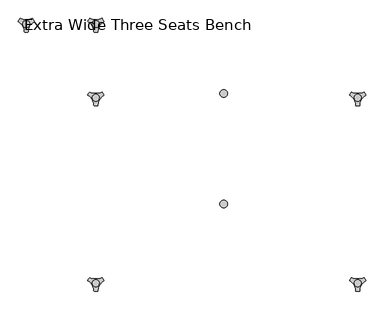
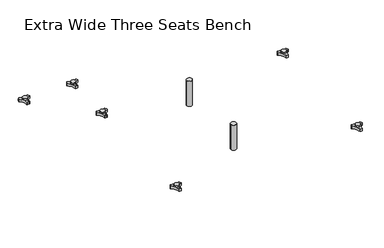
"""IFC4 building model written with IfcOpenShell, lengths in millimetres: furniture geometry, Extra Wide Three Seats Bench."""

from ifc_helpers import new_model, si_unit, point, frame, frame_2d, origin, origin_with_axes, place, context, project, spatial, polyline, circle_curve, trimmed, segment, composite_curve, outline, extrude, source, transform, mapped, element, save
from ifc_brep_helpers import plane_surface, cylinder_surface, revolved_surface, advanced_brep


def extra_wide_three_seats_bench_09150e93(model_context):
    return source(origin(), model_context, "Body", "SolidModel", [
        advanced_brep(
        [(191.4388063, -130.2721038, 98.611642), (187.2162181, -137.585841, 98.611642), (187.614167, -138.7518724, 98.611642), (203.4334377, -166.1516574, 98.611642), (204.2442712, -167.0792988, 98.611642), (212.6894498, -167.0792988, 98.611642), (213.493978, -165.9895174, 98.611642), (229.5962311, -138.4877144, 98.611642), (229.7175081, -137.5858427, 98.611642), (225.4949182, -130.2721023, 98.611642), (224.2861347, -130.0337175, 98.611642), (192.6475863, -130.0337175, 98.611642), (217.839737, -145.1926245, 98.611642), (198.9347251, -145.1926245, 98.611642), (191.4388063, -130.2721038, 88.6531552), (192.6475863, -130.0337175, 88.6531552), (224.2861347, -130.0337175, 88.6531552), (225.4949182, -130.2721023, 88.6531552), (229.7175081, -137.5858427, 88.6531552), (229.5962311, -138.4877144, 88.6531552), (213.493978, -165.9895174, 88.6531552), (212.6894498, -167.0792988, 88.6531552), (204.2442712, -167.0792988, 88.6531552), (203.4334377, -166.1516574, 88.6531552), (187.614167, -138.7518724, 88.6531552), (187.2162181, -137.585841, 88.6531552), (198.9347251, -145.1926245, 103.6569541), (217.839737, -145.1926245, 103.6569541)],
        [
            (0, 1, circle_curve(frame((209.6982944, -145.690049, 98.611642), z_axis=(0.0, 0.0, 1.0), x_axis=(1.0, 0.0, 0.0)), 23.8981576)),
            (1, 2, circle_curve(frame((188.1437767, -137.920202, 98.611642), z_axis=(0.0, 0.0, 1.0), x_axis=(1.0, 0.0, 0.0)), 0.9859828)),
            (2, 3, circle_curve(frame((169.218797, -167.6389644, 98.611642), z_axis=(0.0, 0.0, -1.0), x_axis=(1.0, 0.0, 0.0)), 34.246952)),
            (3, 4, circle_curve(frame((204.4184811, -166.1088376, 98.611642), z_axis=(0.0, 0.0, 1.0), x_axis=(1.0, 0.0, 0.0)), 0.9859736)),
            (4, 5, circle_curve(frame((208.4668605, -143.5567534, 98.611642), z_axis=(0.0, 0.0, 1.0), x_axis=(1.0, 0.0, 0.0)), 23.8985439)),
            (5, 6, circle_curve(frame((212.5152379, -166.1088262, 98.611642), z_axis=(0.0, 0.0, 1.0), x_axis=(1.0, 0.0, 0.0)), 0.9859852)),
            (6, 7, circle_curve(frame((247.7156517, -167.5614211, 98.611642), z_axis=(0.0, 0.0, -1.0), x_axis=(1.0, 0.0, 0.0)), 34.2577557)),
            (7, 8, circle_curve(frame((228.7899467, -137.9202011, 98.611642), z_axis=(0.0, 0.0, 1.0), x_axis=(1.0, 0.0, 0.0)), 0.9859847)),
            (8, 9, circle_curve(frame((207.2358178, -145.6898258, 98.611642), z_axis=(0.0, 0.0, 1.0), x_axis=(1.0, 0.0, 0.0)), 23.8977184)),
            (9, 10, circle_curve(frame((224.7415719, -130.9082171, 98.611642), z_axis=(0.0, 0.0, 1.0), x_axis=(1.0, 0.0, 0.0)), 0.9859881)),
            (10, 11, circle_curve(frame((208.4668605, -99.6586209, 98.611642), z_axis=(0.0, 0.0, -1.0), x_axis=(1.0, 0.0, 0.0)), 34.2475683)),
            (11, 0, circle_curve(frame((192.1921512, -130.9082131, 98.611642), z_axis=(0.0, 0.0, 1.0), x_axis=(1.0, 0.0, 0.0)), 0.9859835)),
            (12, 13, circle_curve(frame((208.3872311, -145.1926245, 98.611642), z_axis=(0.0, 0.0, -1.0), x_axis=(1.0, 0.0, 0.0)), 9.452506)),
            (13, 12, circle_curve(frame((208.3872311, -145.1926245, 98.611642), z_axis=(0.0, 0.0, -1.0), x_axis=(1.0, 0.0, 0.0)), 9.452506)),
            (14, 15, circle_curve(frame((192.1921512, -130.9082131, 88.6531552), z_axis=(0.0, 0.0, -1.0), x_axis=(1.0, 0.0, 0.0)), 0.9859835)),
            (15, 16, circle_curve(frame((208.4668605, -99.6586209, 88.6531552), z_axis=(0.0, 0.0, 1.0), x_axis=(1.0, 0.0, 0.0)), 34.2475683)),
            (16, 17, circle_curve(frame((224.7415719, -130.9082171, 88.6531552), z_axis=(0.0, 0.0, -1.0), x_axis=(1.0, 0.0, 0.0)), 0.9859881)),
            (17, 18, circle_curve(frame((207.2358178, -145.6898258, 88.6531552), z_axis=(0.0, 0.0, -1.0), x_axis=(1.0, 0.0, 0.0)), 23.8977184)),
            (18, 19, circle_curve(frame((228.7899467, -137.9202011, 88.6531552), z_axis=(0.0, 0.0, -1.0), x_axis=(1.0, 0.0, 0.0)), 0.9859847)),
            (19, 20, circle_curve(frame((247.7156517, -167.5614211, 88.6531552), z_axis=(0.0, 0.0, 1.0), x_axis=(1.0, 0.0, 0.0)), 34.2577557)),
            (20, 21, circle_curve(frame((212.5152379, -166.1088262, 88.6531552), z_axis=(0.0, 0.0, -1.0), x_axis=(1.0, 0.0, 0.0)), 0.9859852)),
            (21, 22, circle_curve(frame((208.4668605, -143.5567534, 88.6531552), z_axis=(0.0, 0.0, -1.0), x_axis=(1.0, 0.0, 0.0)), 23.8985439)),
            (22, 23, circle_curve(frame((204.4184811, -166.1088376, 88.6531552), z_axis=(0.0, 0.0, -1.0), x_axis=(1.0, 0.0, 0.0)), 0.9859736)),
            (23, 24, circle_curve(frame((169.218797, -167.6389644, 88.6531552), z_axis=(0.0, 0.0, 1.0), x_axis=(1.0, 0.0, 0.0)), 34.246952)),
            (24, 25, circle_curve(frame((188.1437767, -137.920202, 88.6531552), z_axis=(0.0, 0.0, -1.0), x_axis=(1.0, 0.0, 0.0)), 0.9859828)),
            (25, 14, circle_curve(frame((209.6982944, -145.690049, 88.6531552), z_axis=(0.0, 0.0, -1.0), x_axis=(1.0, 0.0, 0.0)), 23.8981576)),
            (26, 27, circle_curve(frame((208.3872311, -145.1926245, 103.6569541), z_axis=(0.0, 0.0, 1.0), x_axis=(1.0, 0.0, 0.0)), 9.452506)),
            (27, 26, circle_curve(frame((208.3872311, -145.1926245, 103.6569541), z_axis=(0.0, 0.0, 1.0), x_axis=(1.0, 0.0, 0.0)), 9.452506)),
            (0, 14),
            (25, 1),
            (24, 2),
            (23, 3),
            (22, 4),
            (21, 5),
            (20, 6),
            (19, 7),
            (18, 8),
            (17, 9),
            (16, 10),
            (15, 11),
            (26, 13),
            (12, 27),
        ],
        [
            plane_surface(frame((233.596452, -145.690049, 98.611642), z_axis=(0.0, 0.0, 1.0), x_axis=(0.0, 1.0, 0.0))),
            plane_surface(frame((233.596452, -145.690049, 88.6531552), z_axis=(0.0, 0.0, -1.0), x_axis=(0.0, -1.0, 0.0))),
            plane_surface(frame((217.839737, -145.1926245, 103.6569541), z_axis=(0.0, 0.0, 1.0), x_axis=(0.0, 1.0, 0.0))),
            cylinder_surface(frame((209.6982944, -145.690049, 88.6531552), z_axis=(0.0, 0.0, 1.0), x_axis=(1.0, 0.0, 0.0)), 23.8981576),
            cylinder_surface(frame((188.1437767, -137.920202, 88.6531552), z_axis=(0.0, 0.0, 1.0), x_axis=(1.0, 0.0, 0.0)), 0.9859828),
            revolved_surface(polyline([(203.465749, -167.6389644, 88.6531552), (203.465749, -167.6389644, 98.611642)]), (169.218797, -167.6389644, 88.6531552), (0.0, 0.0, -1.0)),
            cylinder_surface(frame((204.4184811, -166.1088376, 88.6531552), z_axis=(0.0, 0.0, 1.0), x_axis=(1.0, 0.0, 0.0)), 0.9859736),
            cylinder_surface(frame((208.4668605, -143.5567534, 88.6531552), z_axis=(0.0, 0.0, 1.0), x_axis=(1.0, 0.0, 0.0)), 23.8985439),
            cylinder_surface(frame((212.5152379, -166.1088262, 88.6531552), z_axis=(0.0, 0.0, 1.0), x_axis=(1.0, 0.0, 0.0)), 0.9859852),
            revolved_surface(polyline([(281.9734074, -167.5614211, 88.6531552), (281.9734074, -167.5614211, 98.611642)]), (247.7156517, -167.5614211, 88.6531552), (0.0, 0.0, -1.0)),
            cylinder_surface(frame((228.7899467, -137.9202011, 88.6531552), z_axis=(0.0, 0.0, 1.0), x_axis=(1.0, 0.0, 0.0)), 0.9859847),
            cylinder_surface(frame((207.2358178, -145.6898258, 88.6531552), z_axis=(0.0, 0.0, 1.0), x_axis=(1.0, 0.0, 0.0)), 23.8977184),
            cylinder_surface(frame((224.7415719, -130.9082171, 88.6531552), z_axis=(0.0, 0.0, 1.0), x_axis=(1.0, 0.0, 0.0)), 0.9859881),
            revolved_surface(polyline([(242.7144288, -99.6586209, 88.6531552), (242.7144288, -99.6586209, 98.611642)]), (208.4668605, -99.6586209, 88.6531552), (0.0, 0.0, -1.0)),
            cylinder_surface(frame((192.1921512, -130.9082131, 88.6531552), z_axis=(0.0, 0.0, 1.0), x_axis=(1.0, 0.0, 0.0)), 0.9859835),
            cylinder_surface(frame((208.3872311, -145.1926245, 98.611642), z_axis=(0.0, 0.0, 1.0), x_axis=(1.0, 0.0, 0.0)), 9.452506),
        ],
        [
            (0, [[1, 2, 3, 4, 5, 6, 7, 8, 9, 10, 11, 12], [13, 14]]),
            (1, [[15, 16, 17, 18, 19, 20, 21, 22, 23, 24, 25, 26]]),
            (2, [[27, 28]]),
            (3, [[-1, 29, -26, 30]]),
            (4, [[-2, -30, -25, 31]]),
            (5, [[-3, -31, -24, 32]]),
            (6, [[-4, -32, -23, 33]]),
            (7, [[-5, -33, -22, 34]]),
            (8, [[-6, -34, -21, 35]]),
            (9, [[-7, -35, -20, 36]]),
            (10, [[-8, -36, -19, 37]]),
            (11, [[-9, -37, -18, 38]]),
            (12, [[-10, -38, -17, 39]]),
            (13, [[-11, -39, -16, 40]]),
            (14, [[-12, -40, -15, -29]]),
            (15, [[-27, 41, -13, 42]]),
            (15, [[-28, -42, -14, -41]]),
        ],
    ),
        advanced_brep(
        [(191.4388063, -633.9963447, 98.611642), (187.2162181, -641.3100819, 98.611642), (187.614167, -642.4761133, 98.611642), (203.4334377, -669.8758983, 98.611642), (204.2442712, -670.8035397, 98.611642), (212.6894498, -670.8035397, 98.611642), (213.493978, -669.7137583, 98.611642), (229.5962311, -642.2119553, 98.611642), (229.7175081, -641.3100836, 98.611642), (225.4949182, -633.9963432, 98.611642), (224.2861347, -633.7579584, 98.611642), (192.6475863, -633.7579584, 98.611642), (217.839737, -648.9168654, 98.611642), (198.9347251, -648.9168654, 98.611642), (191.4388063, -633.9963447, 88.6531552), (192.6475863, -633.7579584, 88.6531552), (224.2861347, -633.7579584, 88.6531552), (225.4949182, -633.9963432, 88.6531552), (229.7175081, -641.3100836, 88.6531552), (229.5962311, -642.2119553, 88.6531552), (213.493978, -669.7137583, 88.6531552), (212.6894498, -670.8035397, 88.6531552), (204.2442712, -670.8035397, 88.6531552), (203.4334377, -669.8758983, 88.6531552), (187.614167, -642.4761133, 88.6531552), (187.2162181, -641.3100819, 88.6531552), (198.9347251, -648.9168654, 103.6569541), (217.839737, -648.9168654, 103.6569541)],
        [
            (0, 1, circle_curve(frame((209.6982944, -649.4142898, 98.611642), z_axis=(0.0, 0.0, 1.0), x_axis=(1.0, 0.0, 0.0)), 23.8981576)),
            (1, 2, circle_curve(frame((188.1437767, -641.6444428, 98.611642), z_axis=(0.0, 0.0, 1.0), x_axis=(1.0, 0.0, 0.0)), 0.9859828)),
            (2, 3, circle_curve(frame((169.218797, -671.3632053, 98.611642), z_axis=(0.0, 0.0, -1.0), x_axis=(1.0, 0.0, 0.0)), 34.246952)),
            (3, 4, circle_curve(frame((204.4184811, -669.8330785, 98.611642), z_axis=(0.0, 0.0, 1.0), x_axis=(1.0, 0.0, 0.0)), 0.9859736)),
            (4, 5, circle_curve(frame((208.4668605, -647.2809943, 98.611642), z_axis=(0.0, 0.0, 1.0), x_axis=(1.0, 0.0, 0.0)), 23.8985439)),
            (5, 6, circle_curve(frame((212.5152379, -669.8330671, 98.611642), z_axis=(0.0, 0.0, 1.0), x_axis=(1.0, 0.0, 0.0)), 0.9859852)),
            (6, 7, circle_curve(frame((247.7156517, -671.285662, 98.611642), z_axis=(0.0, 0.0, -1.0), x_axis=(1.0, 0.0, 0.0)), 34.2577557)),
            (7, 8, circle_curve(frame((228.7899467, -641.644442, 98.611642), z_axis=(0.0, 0.0, 1.0), x_axis=(1.0, 0.0, 0.0)), 0.9859847)),
            (8, 9, circle_curve(frame((207.2358178, -649.4140667, 98.611642), z_axis=(0.0, 0.0, 1.0), x_axis=(1.0, 0.0, 0.0)), 23.8977184)),
            (9, 10, circle_curve(frame((224.7415719, -634.632458, 98.611642), z_axis=(0.0, 0.0, 1.0), x_axis=(1.0, 0.0, 0.0)), 0.9859881)),
            (10, 11, circle_curve(frame((208.4668605, -603.3828618, 98.611642), z_axis=(0.0, 0.0, -1.0), x_axis=(1.0, 0.0, 0.0)), 34.2475683)),
            (11, 0, circle_curve(frame((192.1921512, -634.632454, 98.611642), z_axis=(0.0, 0.0, 1.0), x_axis=(1.0, 0.0, 0.0)), 0.9859835)),
            (12, 13, circle_curve(frame((208.3872311, -648.9168654, 98.611642), z_axis=(0.0, 0.0, -1.0), x_axis=(1.0, 0.0, 0.0)), 9.452506)),
            (13, 12, circle_curve(frame((208.3872311, -648.9168654, 98.611642), z_axis=(0.0, 0.0, -1.0), x_axis=(1.0, 0.0, 0.0)), 9.452506)),
            (14, 15, circle_curve(frame((192.1921512, -634.632454, 88.6531552), z_axis=(0.0, 0.0, -1.0), x_axis=(1.0, 0.0, 0.0)), 0.9859835)),
            (15, 16, circle_curve(frame((208.4668605, -603.3828618, 88.6531552), z_axis=(0.0, 0.0, 1.0), x_axis=(1.0, 0.0, 0.0)), 34.2475683)),
            (16, 17, circle_curve(frame((224.7415719, -634.632458, 88.6531552), z_axis=(0.0, 0.0, -1.0), x_axis=(1.0, 0.0, 0.0)), 0.9859881)),
            (17, 18, circle_curve(frame((207.2358178, -649.4140667, 88.6531552), z_axis=(0.0, 0.0, -1.0), x_axis=(1.0, 0.0, 0.0)), 23.8977184)),
            (18, 19, circle_curve(frame((228.7899467, -641.644442, 88.6531552), z_axis=(0.0, 0.0, -1.0), x_axis=(1.0, 0.0, 0.0)), 0.9859847)),
            (19, 20, circle_curve(frame((247.7156517, -671.285662, 88.6531552), z_axis=(0.0, 0.0, 1.0), x_axis=(1.0, 0.0, 0.0)), 34.2577557)),
            (20, 21, circle_curve(frame((212.5152379, -669.8330671, 88.6531552), z_axis=(0.0, 0.0, -1.0), x_axis=(1.0, 0.0, 0.0)), 0.9859852)),
            (21, 22, circle_curve(frame((208.4668605, -647.2809943, 88.6531552), z_axis=(0.0, 0.0, -1.0), x_axis=(1.0, 0.0, 0.0)), 23.8985439)),
            (22, 23, circle_curve(frame((204.4184811, -669.8330785, 88.6531552), z_axis=(0.0, 0.0, -1.0), x_axis=(1.0, 0.0, 0.0)), 0.9859736)),
            (23, 24, circle_curve(frame((169.218797, -671.3632053, 88.6531552), z_axis=(0.0, 0.0, 1.0), x_axis=(1.0, 0.0, 0.0)), 34.246952)),
            (24, 25, circle_curve(frame((188.1437767, -641.6444428, 88.6531552), z_axis=(0.0, 0.0, -1.0), x_axis=(1.0, 0.0, 0.0)), 0.9859828)),
            (25, 14, circle_curve(frame((209.6982944, -649.4142898, 88.6531552), z_axis=(0.0, 0.0, -1.0), x_axis=(1.0, 0.0, 0.0)), 23.8981576)),
            (26, 27, circle_curve(frame((208.3872311, -648.9168654, 103.6569541), z_axis=(0.0, 0.0, 1.0), x_axis=(1.0, 0.0, 0.0)), 9.452506)),
            (27, 26, circle_curve(frame((208.3872311, -648.9168654, 103.6569541), z_axis=(0.0, 0.0, 1.0), x_axis=(1.0, 0.0, 0.0)), 9.452506)),
            (0, 14),
            (25, 1),
            (24, 2),
            (23, 3),
            (22, 4),
            (21, 5),
            (20, 6),
            (19, 7),
            (18, 8),
            (17, 9),
            (16, 10),
            (15, 11),
            (26, 13),
            (12, 27),
        ],
        [
            plane_surface(frame((233.596452, -649.4142898, 98.611642), z_axis=(0.0, 0.0, 1.0), x_axis=(0.0, 1.0, 0.0))),
            plane_surface(frame((233.596452, -649.4142898, 88.6531552), z_axis=(0.0, 0.0, -1.0), x_axis=(0.0, -1.0, 0.0))),
            plane_surface(frame((217.839737, -648.9168654, 103.6569541), z_axis=(0.0, 0.0, 1.0), x_axis=(0.0, 1.0, 0.0))),
            cylinder_surface(frame((209.6982944, -649.4142898, 88.6531552), z_axis=(0.0, 0.0, 1.0), x_axis=(1.0, 0.0, 0.0)), 23.8981576),
            cylinder_surface(frame((188.1437767, -641.6444428, 88.6531552), z_axis=(0.0, 0.0, 1.0), x_axis=(1.0, 0.0, 0.0)), 0.9859828),
            revolved_surface(polyline([(203.465749, -671.3632053, 88.6531552), (203.465749, -671.3632053, 98.611642)]), (169.218797, -671.3632053, 88.6531552), (0.0, 0.0, -1.0)),
            cylinder_surface(frame((204.4184811, -669.8330785, 88.6531552), z_axis=(0.0, 0.0, 1.0), x_axis=(1.0, 0.0, 0.0)), 0.9859736),
            cylinder_surface(frame((208.4668605, -647.2809943, 88.6531552), z_axis=(0.0, 0.0, 1.0), x_axis=(1.0, 0.0, 0.0)), 23.8985439),
            cylinder_surface(frame((212.5152379, -669.8330671, 88.6531552), z_axis=(0.0, 0.0, 1.0), x_axis=(1.0, 0.0, 0.0)), 0.9859852),
            revolved_surface(polyline([(281.9734074, -671.285662, 88.6531552), (281.9734074, -671.285662, 98.611642)]), (247.7156517, -671.285662, 88.6531552), (0.0, 0.0, -1.0)),
            cylinder_surface(frame((228.7899467, -641.644442, 88.6531552), z_axis=(0.0, 0.0, 1.0), x_axis=(1.0, 0.0, 0.0)), 0.9859847),
            cylinder_surface(frame((207.2358178, -649.4140667, 88.6531552), z_axis=(0.0, 0.0, 1.0), x_axis=(1.0, 0.0, 0.0)), 23.8977184),
            cylinder_surface(frame((224.7415719, -634.632458, 88.6531552), z_axis=(0.0, 0.0, 1.0), x_axis=(1.0, 0.0, 0.0)), 0.9859881),
            revolved_surface(polyline([(242.7144288, -603.3828618, 88.6531552), (242.7144288, -603.3828618, 98.611642)]), (208.4668605, -603.3828618, 88.6531552), (0.0, 0.0, -1.0)),
            cylinder_surface(frame((192.1921512, -634.632454, 88.6531552), z_axis=(0.0, 0.0, 1.0), x_axis=(1.0, 0.0, 0.0)), 0.9859835),
            cylinder_surface(frame((208.3872311, -648.9168654, 98.611642), z_axis=(0.0, 0.0, 1.0), x_axis=(1.0, 0.0, 0.0)), 9.452506),
        ],
        [
            (0, [[1, 2, 3, 4, 5, 6, 7, 8, 9, 10, 11, 12], [13, 14]]),
            (1, [[15, 16, 17, 18, 19, 20, 21, 22, 23, 24, 25, 26]]),
            (2, [[27, 28]]),
            (3, [[-1, 29, -26, 30]]),
            (4, [[-2, -30, -25, 31]]),
            (5, [[-3, -31, -24, 32]]),
            (6, [[-4, -32, -23, 33]]),
            (7, [[-5, -33, -22, 34]]),
            (8, [[-6, -34, -21, 35]]),
            (9, [[-7, -35, -20, 36]]),
            (10, [[-8, -36, -19, 37]]),
            (11, [[-9, -37, -18, 38]]),
            (12, [[-10, -38, -17, 39]]),
            (13, [[-11, -39, -16, 40]]),
            (14, [[-12, -40, -15, -29]]),
            (15, [[-27, 41, -13, 42]]),
            (15, [[-28, -42, -14, -41]]),
        ],
    ),
        advanced_brep(
        [(-519.7611937, -633.9963447, 98.611642), (-523.9837819, -641.3100819, 98.611642), (-523.585833, -642.4761133, 98.611642), (-507.7665623, -669.8758983, 98.611642), (-506.9557288, -670.8035397, 98.611642), (-498.5105502, -670.8035397, 98.611642), (-497.706022, -669.7137583, 98.611642), (-481.6037689, -642.2119553, 98.611642), (-481.4824919, -641.3100836, 98.611642), (-485.7050818, -633.9963432, 98.611642), (-486.9138653, -633.7579584, 98.611642), (-518.5524137, -633.7579584, 98.611642), (-493.360263, -648.9168654, 98.611642), (-512.2652749, -648.9168654, 98.611642), (-519.7611937, -633.9963447, 88.6531552), (-518.5524137, -633.7579584, 88.6531552), (-486.9138653, -633.7579584, 88.6531552), (-485.7050818, -633.9963432, 88.6531552), (-481.4824919, -641.3100836, 88.6531552), (-481.6037689, -642.2119553, 88.6531552), (-497.706022, -669.7137583, 88.6531552), (-498.5105502, -670.8035397, 88.6531552), (-506.9557288, -670.8035397, 88.6531552), (-507.7665623, -669.8758983, 88.6531552), (-523.585833, -642.4761133, 88.6531552), (-523.9837819, -641.3100819, 88.6531552), (-512.2652749, -648.9168654, 103.6569541), (-493.360263, -648.9168654, 103.6569541)],
        [
            (0, 1, circle_curve(frame((-501.5017056, -649.4142898, 98.611642), z_axis=(0.0, 0.0, 1.0), x_axis=(1.0, 0.0, 0.0)), 23.8981576)),
            (1, 2, circle_curve(frame((-523.0562233, -641.6444428, 98.611642), z_axis=(0.0, 0.0, 1.0), x_axis=(1.0, 0.0, 0.0)), 0.9859828)),
            (2, 3, circle_curve(frame((-541.981203, -671.3632053, 98.611642), z_axis=(0.0, 0.0, -1.0), x_axis=(1.0, 0.0, 0.0)), 34.246952)),
            (3, 4, circle_curve(frame((-506.7815189, -669.8330785, 98.611642), z_axis=(0.0, 0.0, 1.0), x_axis=(1.0, 0.0, 0.0)), 0.9859736)),
            (4, 5, circle_curve(frame((-502.7331395, -647.2809943, 98.611642), z_axis=(0.0, 0.0, 1.0), x_axis=(1.0, 0.0, 0.0)), 23.8985439)),
            (5, 6, circle_curve(frame((-498.6847621, -669.8330671, 98.611642), z_axis=(0.0, 0.0, 1.0), x_axis=(1.0, 0.0, 0.0)), 0.9859852)),
            (6, 7, circle_curve(frame((-463.4843483, -671.285662, 98.611642), z_axis=(0.0, 0.0, -1.0), x_axis=(1.0, 0.0, 0.0)), 34.2577557)),
            (7, 8, circle_curve(frame((-482.4100533, -641.644442, 98.611642), z_axis=(0.0, 0.0, 1.0), x_axis=(1.0, 0.0, 0.0)), 0.9859847)),
            (8, 9, circle_curve(frame((-503.9641822, -649.4140667, 98.611642), z_axis=(0.0, 0.0, 1.0), x_axis=(1.0, 0.0, 0.0)), 23.8977184)),
            (9, 10, circle_curve(frame((-486.4584281, -634.632458, 98.611642), z_axis=(0.0, 0.0, 1.0), x_axis=(1.0, 0.0, 0.0)), 0.9859881)),
            (10, 11, circle_curve(frame((-502.7331395, -603.3828618, 98.611642), z_axis=(0.0, 0.0, -1.0), x_axis=(1.0, 0.0, 0.0)), 34.2475683)),
            (11, 0, circle_curve(frame((-519.0078488, -634.632454, 98.611642), z_axis=(0.0, 0.0, 1.0), x_axis=(1.0, 0.0, 0.0)), 0.9859835)),
            (12, 13, circle_curve(frame((-502.8127689, -648.9168654, 98.611642), z_axis=(0.0, 0.0, -1.0), x_axis=(1.0, 0.0, 0.0)), 9.452506)),
            (13, 12, circle_curve(frame((-502.8127689, -648.9168654, 98.611642), z_axis=(0.0, 0.0, -1.0), x_axis=(1.0, 0.0, 0.0)), 9.452506)),
            (14, 15, circle_curve(frame((-519.0078488, -634.632454, 88.6531552), z_axis=(0.0, 0.0, -1.0), x_axis=(1.0, 0.0, 0.0)), 0.9859835)),
            (15, 16, circle_curve(frame((-502.7331395, -603.3828618, 88.6531552), z_axis=(0.0, 0.0, 1.0), x_axis=(1.0, 0.0, 0.0)), 34.2475683)),
            (16, 17, circle_curve(frame((-486.4584281, -634.632458, 88.6531552), z_axis=(0.0, 0.0, -1.0), x_axis=(1.0, 0.0, 0.0)), 0.9859881)),
            (17, 18, circle_curve(frame((-503.9641822, -649.4140667, 88.6531552), z_axis=(0.0, 0.0, -1.0), x_axis=(1.0, 0.0, 0.0)), 23.8977184)),
            (18, 19, circle_curve(frame((-482.4100533, -641.644442, 88.6531552), z_axis=(0.0, 0.0, -1.0), x_axis=(1.0, 0.0, 0.0)), 0.9859847)),
            (19, 20, circle_curve(frame((-463.4843483, -671.285662, 88.6531552), z_axis=(0.0, 0.0, 1.0), x_axis=(1.0, 0.0, 0.0)), 34.2577557)),
            (20, 21, circle_curve(frame((-498.6847621, -669.8330671, 88.6531552), z_axis=(0.0, 0.0, -1.0), x_axis=(1.0, 0.0, 0.0)), 0.9859852)),
            (21, 22, circle_curve(frame((-502.7331395, -647.2809943, 88.6531552), z_axis=(0.0, 0.0, -1.0), x_axis=(1.0, 0.0, 0.0)), 23.8985439)),
            (22, 23, circle_curve(frame((-506.7815189, -669.8330785, 88.6531552), z_axis=(0.0, 0.0, -1.0), x_axis=(1.0, 0.0, 0.0)), 0.9859736)),
            (23, 24, circle_curve(frame((-541.981203, -671.3632053, 88.6531552), z_axis=(0.0, 0.0, 1.0), x_axis=(1.0, 0.0, 0.0)), 34.246952)),
            (24, 25, circle_curve(frame((-523.0562233, -641.6444428, 88.6531552), z_axis=(0.0, 0.0, -1.0), x_axis=(1.0, 0.0, 0.0)), 0.9859828)),
            (25, 14, circle_curve(frame((-501.5017056, -649.4142898, 88.6531552), z_axis=(0.0, 0.0, -1.0), x_axis=(1.0, 0.0, 0.0)), 23.8981576)),
            (26, 27, circle_curve(frame((-502.8127689, -648.9168654, 103.6569541), z_axis=(0.0, 0.0, 1.0), x_axis=(1.0, 0.0, 0.0)), 9.452506)),
            (27, 26, circle_curve(frame((-502.8127689, -648.9168654, 103.6569541), z_axis=(0.0, 0.0, 1.0), x_axis=(1.0, 0.0, 0.0)), 9.452506)),
            (0, 14),
            (25, 1),
            (24, 2),
            (23, 3),
            (22, 4),
            (21, 5),
            (20, 6),
            (19, 7),
            (18, 8),
            (17, 9),
            (16, 10),
            (15, 11),
            (26, 13),
            (12, 27),
        ],
        [
            plane_surface(frame((-477.603548, -649.4142898, 98.611642), z_axis=(0.0, 0.0, 1.0), x_axis=(0.0, 1.0, 0.0))),
            plane_surface(frame((-477.603548, -649.4142898, 88.6531552), z_axis=(0.0, 0.0, -1.0), x_axis=(0.0, -1.0, 0.0))),
            plane_surface(frame((-493.360263, -648.9168654, 103.6569541), z_axis=(0.0, 0.0, 1.0), x_axis=(0.0, 1.0, 0.0))),
            cylinder_surface(frame((-501.5017056, -649.4142898, 88.6531552), z_axis=(0.0, 0.0, 1.0), x_axis=(1.0, 0.0, 0.0)), 23.8981576),
            cylinder_surface(frame((-523.0562233, -641.6444428, 88.6531552), z_axis=(0.0, 0.0, 1.0), x_axis=(1.0, 0.0, 0.0)), 0.9859828),
            revolved_surface(polyline([(-507.73425100000003, -671.3632053, 88.6531552), (-507.73425100000003, -671.3632053, 98.611642)]), (-541.981203, -671.3632053, 88.6531552), (0.0, 0.0, -1.0)),
            cylinder_surface(frame((-506.7815189, -669.8330785, 88.6531552), z_axis=(0.0, 0.0, 1.0), x_axis=(1.0, 0.0, 0.0)), 0.9859736),
            cylinder_surface(frame((-502.7331395, -647.2809943, 88.6531552), z_axis=(0.0, 0.0, 1.0), x_axis=(1.0, 0.0, 0.0)), 23.8985439),
            cylinder_surface(frame((-498.6847621, -669.8330671, 88.6531552), z_axis=(0.0, 0.0, 1.0), x_axis=(1.0, 0.0, 0.0)), 0.9859852),
            revolved_surface(polyline([(-429.2265926, -671.285662, 88.6531552), (-429.2265926, -671.285662, 98.611642)]), (-463.4843483, -671.285662, 88.6531552), (0.0, 0.0, -1.0)),
            cylinder_surface(frame((-482.4100533, -641.644442, 88.6531552), z_axis=(0.0, 0.0, 1.0), x_axis=(1.0, 0.0, 0.0)), 0.9859847),
            cylinder_surface(frame((-503.9641822, -649.4140667, 88.6531552), z_axis=(0.0, 0.0, 1.0), x_axis=(1.0, 0.0, 0.0)), 23.8977184),
            cylinder_surface(frame((-486.4584281, -634.632458, 88.6531552), z_axis=(0.0, 0.0, 1.0), x_axis=(1.0, 0.0, 0.0)), 0.9859881),
            revolved_surface(polyline([(-468.4855712, -603.3828618, 88.6531552), (-468.4855712, -603.3828618, 98.611642)]), (-502.7331395, -603.3828618, 88.6531552), (0.0, 0.0, -1.0)),
            cylinder_surface(frame((-519.0078488, -634.632454, 88.6531552), z_axis=(0.0, 0.0, 1.0), x_axis=(1.0, 0.0, 0.0)), 0.9859835),
            cylinder_surface(frame((-502.8127689, -648.9168654, 98.611642), z_axis=(0.0, 0.0, 1.0), x_axis=(1.0, 0.0, 0.0)), 9.452506),
        ],
        [
            (0, [[1, 2, 3, 4, 5, 6, 7, 8, 9, 10, 11, 12], [13, 14]]),
            (1, [[15, 16, 17, 18, 19, 20, 21, 22, 23, 24, 25, 26]]),
            (2, [[27, 28]]),
            (3, [[-1, 29, -26, 30]]),
            (4, [[-2, -30, -25, 31]]),
            (5, [[-3, -31, -24, 32]]),
            (6, [[-4, -32, -23, 33]]),
            (7, [[-5, -33, -22, 34]]),
            (8, [[-6, -34, -21, 35]]),
            (9, [[-7, -35, -20, 36]]),
            (10, [[-8, -36, -19, 37]]),
            (11, [[-9, -37, -18, 38]]),
            (12, [[-10, -38, -17, 39]]),
            (13, [[-11, -39, -16, 40]]),
            (14, [[-12, -40, -15, -29]]),
            (15, [[-27, 41, -13, 42]]),
            (15, [[-28, -42, -14, -41]]),
        ],
    ),
        advanced_brep(
        [(-519.7611937, -130.2721038, 98.611642), (-523.9837819, -137.585841, 98.611642), (-523.585833, -138.7518724, 98.611642), (-507.7665623, -166.1516574, 98.611642), (-506.9557288, -167.0792988, 98.611642), (-498.5105502, -167.0792988, 98.611642), (-497.706022, -165.9895174, 98.611642), (-481.6037689, -138.4877144, 98.611642), (-481.4824919, -137.5858427, 98.611642), (-485.7050818, -130.2721023, 98.611642), (-486.9138653, -130.0337175, 98.611642), (-518.5524137, -130.0337175, 98.611642), (-493.360263, -145.1926245, 98.611642), (-512.2652749, -145.1926245, 98.611642), (-519.7611937, -130.2721038, 88.6531552), (-518.5524137, -130.0337175, 88.6531552), (-486.9138653, -130.0337175, 88.6531552), (-485.7050818, -130.2721023, 88.6531552), (-481.4824919, -137.5858427, 88.6531552), (-481.6037689, -138.4877144, 88.6531552), (-497.706022, -165.9895174, 88.6531552), (-498.5105502, -167.0792988, 88.6531552), (-506.9557288, -167.0792988, 88.6531552), (-507.7665623, -166.1516574, 88.6531552), (-523.585833, -138.7518724, 88.6531552), (-523.9837819, -137.585841, 88.6531552), (-512.2652749, -145.1926245, 103.6569541), (-493.360263, -145.1926245, 103.6569541)],
        [
            (0, 1, circle_curve(frame((-501.5017056, -145.690049, 98.611642), z_axis=(0.0, 0.0, 1.0), x_axis=(1.0, 0.0, 0.0)), 23.8981576)),
            (1, 2, circle_curve(frame((-523.0562233, -137.920202, 98.611642), z_axis=(0.0, 0.0, 1.0), x_axis=(1.0, 0.0, 0.0)), 0.9859828)),
            (2, 3, circle_curve(frame((-541.981203, -167.6389644, 98.611642), z_axis=(0.0, 0.0, -1.0), x_axis=(1.0, 0.0, 0.0)), 34.246952)),
            (3, 4, circle_curve(frame((-506.7815189, -166.1088376, 98.611642), z_axis=(0.0, 0.0, 1.0), x_axis=(1.0, 0.0, 0.0)), 0.9859736)),
            (4, 5, circle_curve(frame((-502.7331395, -143.5567534, 98.611642), z_axis=(0.0, 0.0, 1.0), x_axis=(1.0, 0.0, 0.0)), 23.8985439)),
            (5, 6, circle_curve(frame((-498.6847621, -166.1088262, 98.611642), z_axis=(0.0, 0.0, 1.0), x_axis=(1.0, 0.0, 0.0)), 0.9859852)),
            (6, 7, circle_curve(frame((-463.4843483, -167.5614211, 98.611642), z_axis=(0.0, 0.0, -1.0), x_axis=(1.0, 0.0, 0.0)), 34.2577557)),
            (7, 8, circle_curve(frame((-482.4100533, -137.9202011, 98.611642), z_axis=(0.0, 0.0, 1.0), x_axis=(1.0, 0.0, 0.0)), 0.9859847)),
            (8, 9, circle_curve(frame((-503.9641822, -145.6898258, 98.611642), z_axis=(0.0, 0.0, 1.0), x_axis=(1.0, 0.0, 0.0)), 23.8977184)),
            (9, 10, circle_curve(frame((-486.4584281, -130.9082171, 98.611642), z_axis=(0.0, 0.0, 1.0), x_axis=(1.0, 0.0, 0.0)), 0.9859881)),
            (10, 11, circle_curve(frame((-502.7331395, -99.6586209, 98.611642), z_axis=(0.0, 0.0, -1.0), x_axis=(1.0, 0.0, 0.0)), 34.2475683)),
            (11, 0, circle_curve(frame((-519.0078488, -130.9082131, 98.611642), z_axis=(0.0, 0.0, 1.0), x_axis=(1.0, 0.0, 0.0)), 0.9859835)),
            (12, 13, circle_curve(frame((-502.8127689, -145.1926245, 98.611642), z_axis=(0.0, 0.0, -1.0), x_axis=(1.0, 0.0, 0.0)), 9.452506)),
            (13, 12, circle_curve(frame((-502.8127689, -145.1926245, 98.611642), z_axis=(0.0, 0.0, -1.0), x_axis=(1.0, 0.0, 0.0)), 9.452506)),
            (14, 15, circle_curve(frame((-519.0078488, -130.9082131, 88.6531552), z_axis=(0.0, 0.0, -1.0), x_axis=(1.0, 0.0, 0.0)), 0.9859835)),
            (15, 16, circle_curve(frame((-502.7331395, -99.6586209, 88.6531552), z_axis=(0.0, 0.0, 1.0), x_axis=(1.0, 0.0, 0.0)), 34.2475683)),
            (16, 17, circle_curve(frame((-486.4584281, -130.9082171, 88.6531552), z_axis=(0.0, 0.0, -1.0), x_axis=(1.0, 0.0, 0.0)), 0.9859881)),
            (17, 18, circle_curve(frame((-503.9641822, -145.6898258, 88.6531552), z_axis=(0.0, 0.0, -1.0), x_axis=(1.0, 0.0, 0.0)), 23.8977184)),
            (18, 19, circle_curve(frame((-482.4100533, -137.9202011, 88.6531552), z_axis=(0.0, 0.0, -1.0), x_axis=(1.0, 0.0, 0.0)), 0.9859847)),
            (19, 20, circle_curve(frame((-463.4843483, -167.5614211, 88.6531552), z_axis=(0.0, 0.0, 1.0), x_axis=(1.0, 0.0, 0.0)), 34.2577557)),
            (20, 21, circle_curve(frame((-498.6847621, -166.1088262, 88.6531552), z_axis=(0.0, 0.0, -1.0), x_axis=(1.0, 0.0, 0.0)), 0.9859852)),
            (21, 22, circle_curve(frame((-502.7331395, -143.5567534, 88.6531552), z_axis=(0.0, 0.0, -1.0), x_axis=(1.0, 0.0, 0.0)), 23.8985439)),
            (22, 23, circle_curve(frame((-506.7815189, -166.1088376, 88.6531552), z_axis=(0.0, 0.0, -1.0), x_axis=(1.0, 0.0, 0.0)), 0.9859736)),
            (23, 24, circle_curve(frame((-541.981203, -167.6389644, 88.6531552), z_axis=(0.0, 0.0, 1.0), x_axis=(1.0, 0.0, 0.0)), 34.246952)),
            (24, 25, circle_curve(frame((-523.0562233, -137.920202, 88.6531552), z_axis=(0.0, 0.0, -1.0), x_axis=(1.0, 0.0, 0.0)), 0.9859828)),
            (25, 14, circle_curve(frame((-501.5017056, -145.690049, 88.6531552), z_axis=(0.0, 0.0, -1.0), x_axis=(1.0, 0.0, 0.0)), 23.8981576)),
            (26, 27, circle_curve(frame((-502.8127689, -145.1926245, 103.6569541), z_axis=(0.0, 0.0, 1.0), x_axis=(1.0, 0.0, 0.0)), 9.452506)),
            (27, 26, circle_curve(frame((-502.8127689, -145.1926245, 103.6569541), z_axis=(0.0, 0.0, 1.0), x_axis=(1.0, 0.0, 0.0)), 9.452506)),
            (0, 14),
            (25, 1),
            (24, 2),
            (23, 3),
            (22, 4),
            (21, 5),
            (20, 6),
            (19, 7),
            (18, 8),
            (17, 9),
            (16, 10),
            (15, 11),
            (26, 13),
            (12, 27),
        ],
        [
            plane_surface(frame((-477.603548, -145.690049, 98.611642), z_axis=(0.0, 0.0, 1.0), x_axis=(0.0, 1.0, 0.0))),
            plane_surface(frame((-477.603548, -145.690049, 88.6531552), z_axis=(0.0, 0.0, -1.0), x_axis=(0.0, -1.0, 0.0))),
            plane_surface(frame((-493.360263, -145.1926245, 103.6569541), z_axis=(0.0, 0.0, 1.0), x_axis=(0.0, 1.0, 0.0))),
            cylinder_surface(frame((-501.5017056, -145.690049, 88.6531552), z_axis=(0.0, 0.0, 1.0), x_axis=(1.0, 0.0, 0.0)), 23.8981576),
            cylinder_surface(frame((-523.0562233, -137.920202, 88.6531552), z_axis=(0.0, 0.0, 1.0), x_axis=(1.0, 0.0, 0.0)), 0.9859828),
            revolved_surface(polyline([(-507.73425100000003, -167.6389644, 88.6531552), (-507.73425100000003, -167.6389644, 98.611642)]), (-541.981203, -167.6389644, 88.6531552), (0.0, 0.0, -1.0)),
            cylinder_surface(frame((-506.7815189, -166.1088376, 88.6531552), z_axis=(0.0, 0.0, 1.0), x_axis=(1.0, 0.0, 0.0)), 0.9859736),
            cylinder_surface(frame((-502.7331395, -143.5567534, 88.6531552), z_axis=(0.0, 0.0, 1.0), x_axis=(1.0, 0.0, 0.0)), 23.8985439),
            cylinder_surface(frame((-498.6847621, -166.1088262, 88.6531552), z_axis=(0.0, 0.0, 1.0), x_axis=(1.0, 0.0, 0.0)), 0.9859852),
            revolved_surface(polyline([(-429.2265926, -167.5614211, 88.6531552), (-429.2265926, -167.5614211, 98.611642)]), (-463.4843483, -167.5614211, 88.6531552), (0.0, 0.0, -1.0)),
            cylinder_surface(frame((-482.4100533, -137.9202011, 88.6531552), z_axis=(0.0, 0.0, 1.0), x_axis=(1.0, 0.0, 0.0)), 0.9859847),
            cylinder_surface(frame((-503.9641822, -145.6898258, 88.6531552), z_axis=(0.0, 0.0, 1.0), x_axis=(1.0, 0.0, 0.0)), 23.8977184),
            cylinder_surface(frame((-486.4584281, -130.9082171, 88.6531552), z_axis=(0.0, 0.0, 1.0), x_axis=(1.0, 0.0, 0.0)), 0.9859881),
            revolved_surface(polyline([(-468.4855712, -99.6586209, 88.6531552), (-468.4855712, -99.6586209, 98.611642)]), (-502.7331395, -99.6586209, 88.6531552), (0.0, 0.0, -1.0)),
            cylinder_surface(frame((-519.0078488, -130.9082131, 88.6531552), z_axis=(0.0, 0.0, 1.0), x_axis=(1.0, 0.0, 0.0)), 0.9859835),
            cylinder_surface(frame((-502.8127689, -145.1926245, 98.611642), z_axis=(0.0, 0.0, 1.0), x_axis=(1.0, 0.0, 0.0)), 9.452506),
        ],
        [
            (0, [[1, 2, 3, 4, 5, 6, 7, 8, 9, 10, 11, 12], [13, 14]]),
            (1, [[15, 16, 17, 18, 19, 20, 21, 22, 23, 24, 25, 26]]),
            (2, [[27, 28]]),
            (3, [[-1, 29, -26, 30]]),
            (4, [[-2, -30, -25, 31]]),
            (5, [[-3, -31, -24, 32]]),
            (6, [[-4, -32, -23, 33]]),
            (7, [[-5, -33, -22, 34]]),
            (8, [[-6, -34, -21, 35]]),
            (9, [[-7, -35, -20, 36]]),
            (10, [[-8, -36, -19, 37]]),
            (11, [[-9, -37, -18, 38]]),
            (12, [[-10, -38, -17, 39]]),
            (13, [[-11, -39, -16, 40]]),
            (14, [[-12, -40, -15, -29]]),
            (15, [[-27, 41, -13, 42]]),
            (15, [[-28, -42, -14, -41]]),
        ],
    ),
        advanced_brep(
        [(-519.7611937, 69.7278978, 98.611642), (-523.9837819, 62.4141605, 98.611642), (-523.585833, 61.2481292, 98.611642), (-507.7665623, 33.8483441, 98.611642), (-506.9557288, 32.9207027, 98.611642), (-498.5105502, 32.9207027, 98.611642), (-497.706022, 34.0104841, 98.611642), (-481.6037689, 61.5122871, 98.611642), (-481.4824919, 62.4141588, 98.611642), (-485.7050818, 69.7278992, 98.611642), (-486.9138653, 69.966284, 98.611642), (-518.5524137, 69.966284, 98.611642), (-493.360263, 54.807377, 98.611642), (-512.2652749, 54.807377, 98.611642), (-519.7611937, 69.7278978, 88.6531552), (-518.5524137, 69.966284, 88.6531552), (-486.9138653, 69.966284, 88.6531552), (-485.7050818, 69.7278992, 88.6531552), (-481.4824919, 62.4141588, 88.6531552), (-481.6037689, 61.5122871, 88.6531552), (-497.706022, 34.0104841, 88.6531552), (-498.5105502, 32.9207027, 88.6531552), (-506.9557288, 32.9207027, 88.6531552), (-507.7665623, 33.8483441, 88.6531552), (-523.585833, 61.2481292, 88.6531552), (-523.9837819, 62.4141605, 88.6531552), (-512.2652749, 54.807377, 103.6569541), (-493.360263, 54.807377, 103.6569541)],
        [
            (0, 1, circle_curve(frame((-501.5017056, 54.3099526, 98.611642), z_axis=(0.0, 0.0, 1.0), x_axis=(1.0, 0.0, 0.0)), 23.8981576)),
            (1, 2, circle_curve(frame((-523.0562233, 62.0797996, 98.611642), z_axis=(0.0, 0.0, 1.0), x_axis=(1.0, 0.0, 0.0)), 0.9859828)),
            (2, 3, circle_curve(frame((-541.981203, 32.3610372, 98.611642), z_axis=(0.0, 0.0, -1.0), x_axis=(1.0, 0.0, 0.0)), 34.246952)),
            (3, 4, circle_curve(frame((-506.7815189, 33.8911639, 98.611642), z_axis=(0.0, 0.0, 1.0), x_axis=(1.0, 0.0, 0.0)), 0.9859736)),
            (4, 5, circle_curve(frame((-502.7331395, 56.4432481, 98.611642), z_axis=(0.0, 0.0, 1.0), x_axis=(1.0, 0.0, 0.0)), 23.8985439)),
            (5, 6, circle_curve(frame((-498.6847621, 33.8911753, 98.611642), z_axis=(0.0, 0.0, 1.0), x_axis=(1.0, 0.0, 0.0)), 0.9859852)),
            (6, 7, circle_curve(frame((-463.4843483, 32.4385804, 98.611642), z_axis=(0.0, 0.0, -1.0), x_axis=(1.0, 0.0, 0.0)), 34.2577557)),
            (7, 8, circle_curve(frame((-482.4100533, 62.0798004, 98.611642), z_axis=(0.0, 0.0, 1.0), x_axis=(1.0, 0.0, 0.0)), 0.9859847)),
            (8, 9, circle_curve(frame((-503.9641822, 54.3101757, 98.611642), z_axis=(0.0, 0.0, 1.0), x_axis=(1.0, 0.0, 0.0)), 23.8977184)),
            (9, 10, circle_curve(frame((-486.4584281, 69.0917844, 98.611642), z_axis=(0.0, 0.0, 1.0), x_axis=(1.0, 0.0, 0.0)), 0.9859881)),
            (10, 11, circle_curve(frame((-502.7331395, 100.3413806, 98.611642), z_axis=(0.0, 0.0, -1.0), x_axis=(1.0, 0.0, 0.0)), 34.2475683)),
            (11, 0, circle_curve(frame((-519.0078488, 69.0917885, 98.611642), z_axis=(0.0, 0.0, 1.0), x_axis=(1.0, 0.0, 0.0)), 0.9859835)),
            (12, 13, circle_curve(frame((-502.8127689, 54.807377, 98.611642), z_axis=(0.0, 0.0, -1.0), x_axis=(1.0, 0.0, 0.0)), 9.452506)),
            (13, 12, circle_curve(frame((-502.8127689, 54.807377, 98.611642), z_axis=(0.0, 0.0, -1.0), x_axis=(1.0, 0.0, 0.0)), 9.452506)),
            (14, 15, circle_curve(frame((-519.0078488, 69.0917885, 88.6531552), z_axis=(0.0, 0.0, -1.0), x_axis=(1.0, 0.0, 0.0)), 0.9859835)),
            (15, 16, circle_curve(frame((-502.7331395, 100.3413806, 88.6531552), z_axis=(0.0, 0.0, 1.0), x_axis=(1.0, 0.0, 0.0)), 34.2475683)),
            (16, 17, circle_curve(frame((-486.4584281, 69.0917844, 88.6531552), z_axis=(0.0, 0.0, -1.0), x_axis=(1.0, 0.0, 0.0)), 0.9859881)),
            (17, 18, circle_curve(frame((-503.9641822, 54.3101757, 88.6531552), z_axis=(0.0, 0.0, -1.0), x_axis=(1.0, 0.0, 0.0)), 23.8977184)),
            (18, 19, circle_curve(frame((-482.4100533, 62.0798004, 88.6531552), z_axis=(0.0, 0.0, -1.0), x_axis=(1.0, 0.0, 0.0)), 0.9859847)),
            (19, 20, circle_curve(frame((-463.4843483, 32.4385804, 88.6531552), z_axis=(0.0, 0.0, 1.0), x_axis=(1.0, 0.0, 0.0)), 34.2577557)),
            (20, 21, circle_curve(frame((-498.6847621, 33.8911753, 88.6531552), z_axis=(0.0, 0.0, -1.0), x_axis=(1.0, 0.0, 0.0)), 0.9859852)),
            (21, 22, circle_curve(frame((-502.7331395, 56.4432481, 88.6531552), z_axis=(0.0, 0.0, -1.0), x_axis=(1.0, 0.0, 0.0)), 23.8985439)),
            (22, 23, circle_curve(frame((-506.7815189, 33.8911639, 88.6531552), z_axis=(0.0, 0.0, -1.0), x_axis=(1.0, 0.0, 0.0)), 0.9859736)),
            (23, 24, circle_curve(frame((-541.981203, 32.3610372, 88.6531552), z_axis=(0.0, 0.0, 1.0), x_axis=(1.0, 0.0, 0.0)), 34.246952)),
            (24, 25, circle_curve(frame((-523.0562233, 62.0797996, 88.6531552), z_axis=(0.0, 0.0, -1.0), x_axis=(1.0, 0.0, 0.0)), 0.9859828)),
            (25, 14, circle_curve(frame((-501.5017056, 54.3099526, 88.6531552), z_axis=(0.0, 0.0, -1.0), x_axis=(1.0, 0.0, 0.0)), 23.8981576)),
            (26, 27, circle_curve(frame((-502.8127689, 54.807377, 103.6569541), z_axis=(0.0, 0.0, 1.0), x_axis=(1.0, 0.0, 0.0)), 9.452506)),
            (27, 26, circle_curve(frame((-502.8127689, 54.807377, 103.6569541), z_axis=(0.0, 0.0, 1.0), x_axis=(1.0, 0.0, 0.0)), 9.452506)),
            (0, 14),
            (25, 1),
            (24, 2),
            (23, 3),
            (22, 4),
            (21, 5),
            (20, 6),
            (19, 7),
            (18, 8),
            (17, 9),
            (16, 10),
            (15, 11),
            (26, 13),
            (12, 27),
        ],
        [
            plane_surface(frame((-477.603548, 54.3099526, 98.611642), z_axis=(0.0, 0.0, 1.0), x_axis=(0.0, 1.0, 0.0))),
            plane_surface(frame((-477.603548, 54.3099526, 88.6531552), z_axis=(0.0, 0.0, -1.0), x_axis=(0.0, -1.0, 0.0))),
            plane_surface(frame((-493.360263, 54.807377, 103.6569541), z_axis=(0.0, 0.0, 1.0), x_axis=(0.0, 1.0, 0.0))),
            cylinder_surface(frame((-501.5017056, 54.3099526, 88.6531552), z_axis=(0.0, 0.0, 1.0), x_axis=(1.0, 0.0, 0.0)), 23.8981576),
            cylinder_surface(frame((-523.0562233, 62.0797996, 88.6531552), z_axis=(0.0, 0.0, 1.0), x_axis=(1.0, 0.0, 0.0)), 0.9859828),
            revolved_surface(polyline([(-507.73425100000003, 32.3610372, 88.6531552), (-507.73425100000003, 32.3610372, 98.611642)]), (-541.981203, 32.3610372, 88.6531552), (0.0, 0.0, -1.0)),
            cylinder_surface(frame((-506.7815189, 33.8911639, 88.6531552), z_axis=(0.0, 0.0, 1.0), x_axis=(1.0, 0.0, 0.0)), 0.9859736),
            cylinder_surface(frame((-502.7331395, 56.4432481, 88.6531552), z_axis=(0.0, 0.0, 1.0), x_axis=(1.0, 0.0, 0.0)), 23.8985439),
            cylinder_surface(frame((-498.6847621, 33.8911753, 88.6531552), z_axis=(0.0, 0.0, 1.0), x_axis=(1.0, 0.0, 0.0)), 0.9859852),
            revolved_surface(polyline([(-429.2265926, 32.4385804, 88.6531552), (-429.2265926, 32.4385804, 98.611642)]), (-463.4843483, 32.4385804, 88.6531552), (0.0, 0.0, -1.0)),
            cylinder_surface(frame((-482.4100533, 62.0798004, 88.6531552), z_axis=(0.0, 0.0, 1.0), x_axis=(1.0, 0.0, 0.0)), 0.9859847),
            cylinder_surface(frame((-503.9641822, 54.3101757, 88.6531552), z_axis=(0.0, 0.0, 1.0), x_axis=(1.0, 0.0, 0.0)), 23.8977184),
            cylinder_surface(frame((-486.4584281, 69.0917844, 88.6531552), z_axis=(0.0, 0.0, 1.0), x_axis=(1.0, 0.0, 0.0)), 0.9859881),
            revolved_surface(polyline([(-468.4855712, 100.3413806, 88.6531552), (-468.4855712, 100.3413806, 98.611642)]), (-502.7331395, 100.3413806, 88.6531552), (0.0, 0.0, -1.0)),
            cylinder_surface(frame((-519.0078488, 69.0917885, 88.6531552), z_axis=(0.0, 0.0, 1.0), x_axis=(1.0, 0.0, 0.0)), 0.9859835),
            cylinder_surface(frame((-502.8127689, 54.807377, 98.611642), z_axis=(0.0, 0.0, 1.0), x_axis=(1.0, 0.0, 0.0)), 9.452506),
        ],
        [
            (0, [[1, 2, 3, 4, 5, 6, 7, 8, 9, 10, 11, 12], [13, 14]]),
            (1, [[15, 16, 17, 18, 19, 20, 21, 22, 23, 24, 25, 26]]),
            (2, [[27, 28]]),
            (3, [[-1, 29, -26, 30]]),
            (4, [[-2, -30, -25, 31]]),
            (5, [[-3, -31, -24, 32]]),
            (6, [[-4, -32, -23, 33]]),
            (7, [[-5, -33, -22, 34]]),
            (8, [[-6, -34, -21, 35]]),
            (9, [[-7, -35, -20, 36]]),
            (10, [[-8, -36, -19, 37]]),
            (11, [[-9, -37, -18, 38]]),
            (12, [[-10, -38, -17, 39]]),
            (13, [[-11, -39, -16, 40]]),
            (14, [[-12, -40, -15, -29]]),
            (15, [[-27, 41, -13, 42]]),
            (15, [[-28, -42, -14, -41]]),
        ],
    ),
        advanced_brep(
        [(-708.6567178, 69.7278978, 98.611642), (-712.879306, 62.4141605, 98.611642), (-712.4813572, 61.2481292, 98.611642), (-696.6620864, 33.8483441, 98.611642), (-695.8512529, 32.9207027, 98.611642), (-687.4060744, 32.9207027, 98.611642), (-686.6015461, 34.0104841, 98.611642), (-670.4992931, 61.5122871, 98.611642), (-670.378016, 62.4141588, 98.611642), (-674.600606, 69.7278992, 98.611642), (-675.8093894, 69.966284, 98.611642), (-707.4479379, 69.966284, 98.611642), (-682.2557871, 54.807377, 98.611642), (-701.160799, 54.807377, 98.611642), (-708.6567178, 69.7278978, 88.6531552), (-707.4479379, 69.966284, 88.6531552), (-675.8093894, 69.966284, 88.6531552), (-674.600606, 69.7278992, 88.6531552), (-670.378016, 62.4141588, 88.6531552), (-670.4992931, 61.5122871, 88.6531552), (-686.6015461, 34.0104841, 88.6531552), (-687.4060744, 32.9207027, 88.6531552), (-695.8512529, 32.9207027, 88.6531552), (-696.6620864, 33.8483441, 88.6531552), (-712.4813572, 61.2481292, 88.6531552), (-712.879306, 62.4141605, 88.6531552), (-701.160799, 54.807377, 103.6569541), (-682.2557871, 54.807377, 103.6569541)],
        [
            (0, 1, circle_curve(frame((-690.3972298, 54.3099526, 98.611642), z_axis=(0.0, 0.0, 1.0), x_axis=(1.0, 0.0, 0.0)), 23.8981576)),
            (1, 2, circle_curve(frame((-711.9517474, 62.0797996, 98.611642), z_axis=(0.0, 0.0, 1.0), x_axis=(1.0, 0.0, 0.0)), 0.9859828)),
            (2, 3, circle_curve(frame((-730.8767271, 32.3610372, 98.611642), z_axis=(0.0, 0.0, -1.0), x_axis=(1.0, 0.0, 0.0)), 34.246952)),
            (3, 4, circle_curve(frame((-695.6770431, 33.8911639, 98.611642), z_axis=(0.0, 0.0, 1.0), x_axis=(1.0, 0.0, 0.0)), 0.9859736)),
            (4, 5, circle_curve(frame((-691.6286636, 56.4432481, 98.611642), z_axis=(0.0, 0.0, 1.0), x_axis=(1.0, 0.0, 0.0)), 23.8985439)),
            (5, 6, circle_curve(frame((-687.5802862, 33.8911753, 98.611642), z_axis=(0.0, 0.0, 1.0), x_axis=(1.0, 0.0, 0.0)), 0.9859852)),
            (6, 7, circle_curve(frame((-652.3798725, 32.4385804, 98.611642), z_axis=(0.0, 0.0, -1.0), x_axis=(1.0, 0.0, 0.0)), 34.2577557)),
            (7, 8, circle_curve(frame((-671.3055775, 62.0798004, 98.611642), z_axis=(0.0, 0.0, 1.0), x_axis=(1.0, 0.0, 0.0)), 0.9859847)),
            (8, 9, circle_curve(frame((-692.8597064, 54.3101757, 98.611642), z_axis=(0.0, 0.0, 1.0), x_axis=(1.0, 0.0, 0.0)), 23.8977184)),
            (9, 10, circle_curve(frame((-675.3539522, 69.0917844, 98.611642), z_axis=(0.0, 0.0, 1.0), x_axis=(1.0, 0.0, 0.0)), 0.9859881)),
            (10, 11, circle_curve(frame((-691.6286636, 100.3413806, 98.611642), z_axis=(0.0, 0.0, -1.0), x_axis=(1.0, 0.0, 0.0)), 34.2475683)),
            (11, 0, circle_curve(frame((-707.9033729, 69.0917885, 98.611642), z_axis=(0.0, 0.0, 1.0), x_axis=(1.0, 0.0, 0.0)), 0.9859835)),
            (12, 13, circle_curve(frame((-691.7082931, 54.807377, 98.611642), z_axis=(0.0, 0.0, -1.0), x_axis=(1.0, 0.0, 0.0)), 9.452506)),
            (13, 12, circle_curve(frame((-691.7082931, 54.807377, 98.611642), z_axis=(0.0, 0.0, -1.0), x_axis=(1.0, 0.0, 0.0)), 9.452506)),
            (14, 15, circle_curve(frame((-707.9033729, 69.0917885, 88.6531552), z_axis=(0.0, 0.0, -1.0), x_axis=(1.0, 0.0, 0.0)), 0.9859835)),
            (15, 16, circle_curve(frame((-691.6286636, 100.3413806, 88.6531552), z_axis=(0.0, 0.0, 1.0), x_axis=(1.0, 0.0, 0.0)), 34.2475683)),
            (16, 17, circle_curve(frame((-675.3539522, 69.0917844, 88.6531552), z_axis=(0.0, 0.0, -1.0), x_axis=(1.0, 0.0, 0.0)), 0.9859881)),
            (17, 18, circle_curve(frame((-692.8597064, 54.3101757, 88.6531552), z_axis=(0.0, 0.0, -1.0), x_axis=(1.0, 0.0, 0.0)), 23.8977184)),
            (18, 19, circle_curve(frame((-671.3055775, 62.0798004, 88.6531552), z_axis=(0.0, 0.0, -1.0), x_axis=(1.0, 0.0, 0.0)), 0.9859847)),
            (19, 20, circle_curve(frame((-652.3798725, 32.4385804, 88.6531552), z_axis=(0.0, 0.0, 1.0), x_axis=(1.0, 0.0, 0.0)), 34.2577557)),
            (20, 21, circle_curve(frame((-687.5802862, 33.8911753, 88.6531552), z_axis=(0.0, 0.0, -1.0), x_axis=(1.0, 0.0, 0.0)), 0.9859852)),
            (21, 22, circle_curve(frame((-691.6286636, 56.4432481, 88.6531552), z_axis=(0.0, 0.0, -1.0), x_axis=(1.0, 0.0, 0.0)), 23.8985439)),
            (22, 23, circle_curve(frame((-695.6770431, 33.8911639, 88.6531552), z_axis=(0.0, 0.0, -1.0), x_axis=(1.0, 0.0, 0.0)), 0.9859736)),
            (23, 24, circle_curve(frame((-730.8767271, 32.3610372, 88.6531552), z_axis=(0.0, 0.0, 1.0), x_axis=(1.0, 0.0, 0.0)), 34.246952)),
            (24, 25, circle_curve(frame((-711.9517474, 62.0797996, 88.6531552), z_axis=(0.0, 0.0, -1.0), x_axis=(1.0, 0.0, 0.0)), 0.9859828)),
            (25, 14, circle_curve(frame((-690.3972298, 54.3099526, 88.6531552), z_axis=(0.0, 0.0, -1.0), x_axis=(1.0, 0.0, 0.0)), 23.8981576)),
            (26, 27, circle_curve(frame((-691.7082931, 54.807377, 103.6569541), z_axis=(0.0, 0.0, 1.0), x_axis=(1.0, 0.0, 0.0)), 9.452506)),
            (27, 26, circle_curve(frame((-691.7082931, 54.807377, 103.6569541), z_axis=(0.0, 0.0, 1.0), x_axis=(1.0, 0.0, 0.0)), 9.452506)),
            (0, 14),
            (25, 1),
            (24, 2),
            (23, 3),
            (22, 4),
            (21, 5),
            (20, 6),
            (19, 7),
            (18, 8),
            (17, 9),
            (16, 10),
            (15, 11),
            (26, 13),
            (12, 27),
        ],
        [
            plane_surface(frame((-666.4990722, 54.3099526, 98.611642), z_axis=(0.0, 0.0, 1.0), x_axis=(0.0, 1.0, 0.0))),
            plane_surface(frame((-666.4990722, 54.3099526, 88.6531552), z_axis=(0.0, 0.0, -1.0), x_axis=(0.0, -1.0, 0.0))),
            plane_surface(frame((-682.2557871, 54.807377, 103.6569541), z_axis=(0.0, 0.0, 1.0), x_axis=(0.0, 1.0, 0.0))),
            cylinder_surface(frame((-690.3972298, 54.3099526, 88.6531552), z_axis=(0.0, 0.0, 1.0), x_axis=(1.0, 0.0, 0.0)), 23.8981576),
            cylinder_surface(frame((-711.9517474, 62.0797996, 88.6531552), z_axis=(0.0, 0.0, 1.0), x_axis=(1.0, 0.0, 0.0)), 0.9859828),
            revolved_surface(polyline([(-696.6297751000001, 32.3610372, 88.6531552), (-696.6297751000001, 32.3610372, 98.611642)]), (-730.8767271, 32.3610372, 88.6531552), (0.0, 0.0, -1.0)),
            cylinder_surface(frame((-695.6770431, 33.8911639, 88.6531552), z_axis=(0.0, 0.0, 1.0), x_axis=(1.0, 0.0, 0.0)), 0.9859736),
            cylinder_surface(frame((-691.6286636, 56.4432481, 88.6531552), z_axis=(0.0, 0.0, 1.0), x_axis=(1.0, 0.0, 0.0)), 23.8985439),
            cylinder_surface(frame((-687.5802862, 33.8911753, 88.6531552), z_axis=(0.0, 0.0, 1.0), x_axis=(1.0, 0.0, 0.0)), 0.9859852),
            revolved_surface(polyline([(-618.1221168000001, 32.4385804, 88.6531552), (-618.1221168000001, 32.4385804, 98.611642)]), (-652.3798725, 32.4385804, 88.6531552), (0.0, 0.0, -1.0)),
            cylinder_surface(frame((-671.3055775, 62.0798004, 88.6531552), z_axis=(0.0, 0.0, 1.0), x_axis=(1.0, 0.0, 0.0)), 0.9859847),
            cylinder_surface(frame((-692.8597064, 54.3101757, 88.6531552), z_axis=(0.0, 0.0, 1.0), x_axis=(1.0, 0.0, 0.0)), 23.8977184),
            cylinder_surface(frame((-675.3539522, 69.0917844, 88.6531552), z_axis=(0.0, 0.0, 1.0), x_axis=(1.0, 0.0, 0.0)), 0.9859881),
            revolved_surface(polyline([(-657.3810953, 100.3413806, 88.6531552), (-657.3810953, 100.3413806, 98.611642)]), (-691.6286636, 100.3413806, 88.6531552), (0.0, 0.0, -1.0)),
            cylinder_surface(frame((-707.9033729, 69.0917885, 88.6531552), z_axis=(0.0, 0.0, 1.0), x_axis=(1.0, 0.0, 0.0)), 0.9859835),
            cylinder_surface(frame((-691.7082931, 54.807377, 98.611642), z_axis=(0.0, 0.0, 1.0), x_axis=(1.0, 0.0, 0.0)), 9.452506),
        ],
        [
            (0, [[1, 2, 3, 4, 5, 6, 7, 8, 9, 10, 11, 12], [13, 14]]),
            (1, [[15, 16, 17, 18, 19, 20, 21, 22, 23, 24, 25, 26]]),
            (2, [[27, 28]]),
            (3, [[-1, 29, -26, 30]]),
            (4, [[-2, -30, -25, 31]]),
            (5, [[-3, -31, -24, 32]]),
            (6, [[-4, -32, -23, 33]]),
            (7, [[-5, -33, -22, 34]]),
            (8, [[-6, -34, -21, 35]]),
            (9, [[-7, -35, -20, 36]]),
            (10, [[-8, -36, -19, 37]]),
            (11, [[-9, -37, -18, 38]]),
            (12, [[-10, -38, -17, 39]]),
            (13, [[-11, -39, -16, 40]]),
            (14, [[-12, -40, -15, -29]]),
            (15, [[-27, 41, -13, 42]]),
            (15, [[-28, -42, -14, -41]]),
        ],
    ),
        extrude(outline(composite_curve([segment(trimmed(circle_curve(frame_2d((-155.4452882, -433.7002937)), 10.4664203), [point((-165.9117085, -433.7002937))], [point((-144.9788678, -433.7002937))], False, "CARTESIAN"), True, "CONTINUOUS"), segment(trimmed(circle_curve(frame_2d((-155.4452882, -433.7002937)), 10.4664203), [point((-144.9788678, -433.7002937))], [point((-165.9117085, -433.7002937))], False, "CARTESIAN"), True, "CONTINUOUS")], self_intersect=False)), origin_with_axes(), (0.0, 0.0, 1.0), 103.6569541),
        extrude(outline(composite_curve([segment(trimmed(circle_curve(frame_2d((-155.4452882, -133.6667163)), 10.4664203), [point((-165.9117085, -133.6667163))], [point((-144.9788678, -133.6667163))], False, "CARTESIAN"), True, "CONTINUOUS"), segment(trimmed(circle_curve(frame_2d((-155.4452882, -133.6667163)), 10.4664203), [point((-144.9788678, -133.6667163))], [point((-165.9117085, -133.6667163))], False, "CARTESIAN"), True, "CONTINUOUS")], self_intersect=False)), origin_with_axes(), (0.0, 0.0, 1.0), 103.6569541),
    ])


if __name__ == "__main__":
    model = new_model("IFC4")
    model_context = context("Model", 3, world=origin())
    ifc_project = project(units=[si_unit("LENGTHUNIT", "METRE", prefix="MILLI")], contexts=[model_context])
    site = spatial("IfcSite", under=ifc_project)
    building = spatial("IfcBuilding", under=site)
    placement = place(None, origin())
    extra_wide_three_seats_bench_shape = extra_wide_three_seats_bench_09150e93(model_context)
    element("IfcFurniture", 1, ObjectType="Extra Wide Three Seats Bench", at=placement, inside=building, context=model_context, shape_type="MappedRepresentation", body=[
        mapped(extra_wide_three_seats_bench_shape, transform((0.0, 0.0, 0.0), x_axis=(1.0, 0.0, 0.0), y_axis=(0.0, 1.0, 0.0), z_axis=(0.0, 0.0, 1.0))),
    ])
    save(model, "model.ifc")
